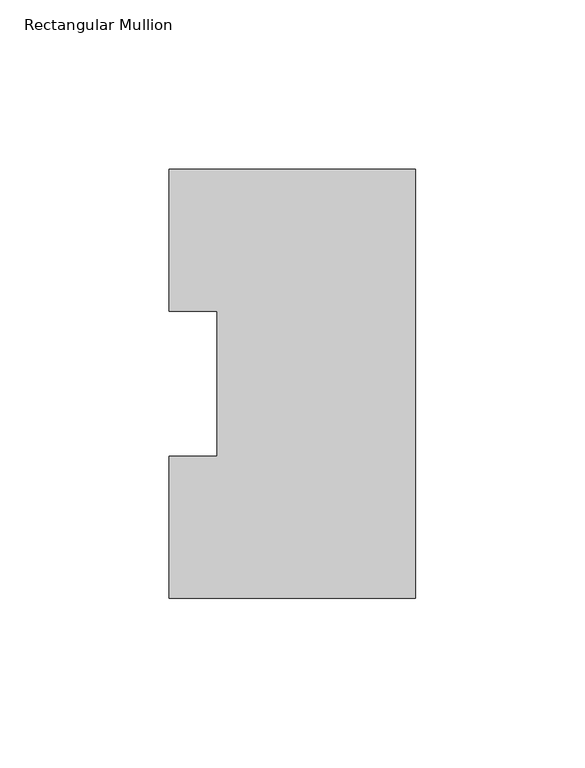
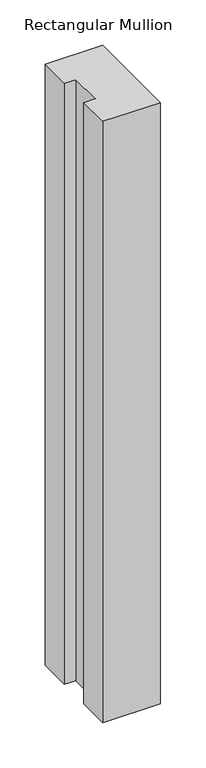
"""IFC4 building model written with IfcOpenShell, lengths in millimetres: member geometry, Rectangular Mullion."""

from ifc_helpers import new_model, si_unit, frame, origin, place, context, project, spatial, polyline, outline, extrude, source, transform, mapped, element, save


def rectangular_mullion_5e97d9c2(model_context):
    return source(origin(), model_context, "Body", "SweptSolid", [
        extrude(outline(polyline([(0.0, 127.006348), (0.0, 0.0063465), (-73.025, 0.0063465), (-73.025, 42.0814491), (-58.7375, 42.0814491), (-58.7375, 84.93125), (-73.025, 84.93125), (-73.025, 127.006348), (0.0, 127.006348)])), frame((0.0, 0.0, -809.6247287), z_axis=(0.0, 0.0, 1.0), x_axis=(1.0, 0.0, 0.0)), (0.0, 0.0, 1.0), 809.6247287),
    ])


if __name__ == "__main__":
    model = new_model("IFC4")
    model_context = context("Model", 3, world=origin())
    ifc_project = project(units=[si_unit("LENGTHUNIT", "METRE", prefix="MILLI")], contexts=[model_context])
    site = spatial("IfcSite", under=ifc_project)
    building = spatial("IfcBuilding", under=site)
    placement = place(None, origin())
    rectangular_mullion_shape = rectangular_mullion_5e97d9c2(model_context)
    element("IfcMember", 1, ObjectType="Rectangular Mullion", at=placement, inside=building, context=model_context, shape_type="MappedRepresentation", body=[
        mapped(rectangular_mullion_shape, transform((0.0, 0.0, 0.0), x_axis=(1.0, 0.0, 0.0), y_axis=(0.0, 1.0, 0.0), z_axis=(0.0, 0.0, 1.0))),
    ])
    save(model, "model.ifc")
